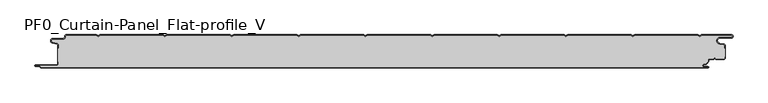
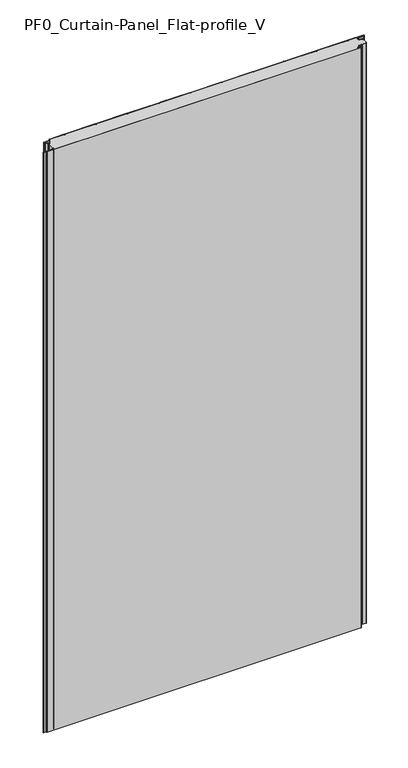
"""IFC4 building model written with IfcOpenShell, lengths in millimetres: plate geometry, PF0_Curtain-Panel_Flat-profile_V."""

from ifc_helpers import new_model, si_unit, point, frame, frame_2d, origin, origin_with_axes, place, context, project, spatial, polyline, circle_curve, trimmed, segment, composite_curve, outline, extrude, source, transform, mapped, element, save
from ifc_brep_helpers import plane_surface, cylinder_surface, revolved_surface, advanced_brep


def pf0_curtain_panel_flat_profile_v_40c15eda(model_context):
    return source(origin(), model_context, "Body", "SolidModel", [
        advanced_brep(
        [(-500.0, -15.878557, 1945.7507136), (-500.0, -20.0, 1945.7507136), (-499.2, -20.0, 1945.7507136), (-499.2, -15.878557, 1945.7507136), (-501.370137, -13.1503208, 1945.7507136), (-507.529863, -11.728236, 1945.7507136), (-506.9, -6.2, 1945.7507136), (-491.4, -6.2, 1945.7507136), (-488.6, -3.4, 1945.7507136), (-488.6, -2.0, 1945.7507136), (-487.4, -0.8, 1945.7507136), (-442.3143588, -0.8, 1945.7507136), (-439.4, -2.482606, 1945.7507136), (-436.4856412, -0.8, 1945.7507136), (-342.3143588, -0.8, 1945.7507136), (-339.4, -2.482606, 1945.7507136), (-336.4856412, -0.8, 1945.7507136), (-242.3143588, -0.8, 1945.7507136), (-239.4, -2.482606, 1945.7507136), (-236.4856412, -0.8, 1945.7507136), (-142.3143588, -0.8, 1945.7507136), (-139.4, -2.482606, 1945.7507136), (-136.4856412, -0.8, 1945.7507136), (-42.3143588, -0.8, 1945.7507136), (-39.4, -2.482606, 1945.7507136), (-36.4856412, -0.8, 1945.7507136), (57.6856412, -0.8, 1945.7507136), (60.6, -2.482606, 1945.7507136), (63.5143588, -0.8, 1945.7507136), (157.6856412, -0.8, 1945.7507136), (160.6, -2.482606, 1945.7507136), (163.5143588, -0.8, 1945.7507136), (257.6856412, -0.8, 1945.7507136), (260.6, -2.482606, 1945.7507136), (263.5143588, -0.8, 1945.7507136), (357.6856412, -0.8, 1945.7507136), (360.6, -2.482606, 1945.7507136), (363.5143588, -0.8, 1945.7507136), (457.6856412, -0.8, 1945.7507136), (460.6, -2.482606, 1945.7507136), (463.5143588, -0.8, 1945.7507136), (508.1, -0.8, 1945.7507136), (508.1, -4.2, 1945.7507136), (491.1, -4.2, 1945.7507136), (490.2664884, -13.7270771, 1945.7507136), (496.7125669, -14.8636953, 1945.7507136), (498.2, -16.6363492, 1945.7507136), (498.2, -20.0, 1945.7507136), (499.0, -20.0, 1945.7507136), (499.0, -16.6363492, 1945.7507136), (496.8514855, -14.0758491, 1945.7507136), (490.405407, -12.939231, 1945.7507136), (491.1, -5.0, 1945.7507136), (508.1, -5.0, 1945.7507136), (510.6, -2.5, 1945.7507136), (508.1, 0.0, 1945.7507136), (463.2999995, 0.0, 1945.7507136), (460.6, -1.5588455, 1945.7507136), (457.9000005, 0.0, 1945.7507136), (363.2999995, 0.0, 1945.7507136), (360.6, -1.5588455, 1945.7507136), (357.9000005, 0.0, 1945.7507136), (263.2999995, 0.0, 1945.7507136), (260.6, -1.5588455, 1945.7507136), (257.9000005, 0.0, 1945.7507136), (163.2999995, 0.0, 1945.7507136), (160.6, -1.5588455, 1945.7507136), (157.9000005, 0.0, 1945.7507136), (63.2999995, 0.0, 1945.7507136), (60.6, -1.5588455, 1945.7507136), (57.9000005, 0.0, 1945.7507136), (-36.7000005, 0.0, 1945.7507136), (-39.4, -1.5588455, 1945.7507136), (-42.0999995, 0.0, 1945.7507136), (-136.7000005, 0.0, 1945.7507136), (-139.4, -1.5588455, 1945.7507136), (-142.0999995, 0.0, 1945.7507136), (-236.7000005, 0.0, 1945.7507136), (-239.4, -1.5588455, 1945.7507136), (-242.0999995, 0.0, 1945.7507136), (-336.7000005, 0.0, 1945.7507136), (-339.4, -1.5588455, 1945.7507136), (-342.0999995, 0.0, 1945.7507136), (-436.7000005, 0.0, 1945.7507136), (-439.4, -1.5588455, 1945.7507136), (-442.0999995, 0.0, 1945.7507136), (-487.4, 0.0, 1945.7507136), (-489.4, -2.0, 1945.7507136), (-489.4, -3.4, 1945.7507136), (-491.4, -5.4, 1945.7507136), (-506.9, -5.4, 1945.7507136), (-507.7098239, -12.5077322, 1945.7507136), (-501.5500979, -13.929817, 1945.7507136), (-500.0, -15.878557, 0.0), (-501.5500978, -13.9298169, 0.0), (-507.7098239, -12.507732, 0.0), (-506.9, -5.4, 0.0), (-491.4, -5.4, 0.0), (-489.4, -3.4, 0.0), (-489.4, -2.0, 0.0), (-487.4, 0.0, 0.0), (-442.0999995, 0.0, 0.0), (-439.4, -1.5588455, 0.0), (-436.7000005, 0.0, 0.0), (-342.0999995, 0.0, 0.0), (-339.4, -1.5588455, 0.0), (-336.7000005, 0.0, 0.0), (-242.0999995, 0.0, 0.0), (-239.4, -1.5588455, 0.0), (-236.7000005, 0.0, 0.0), (-142.0999995, 0.0, 0.0), (-139.4, -1.5588455, 0.0), (-136.7000005, 0.0, 0.0), (-42.0999995, 0.0, 0.0), (-39.4, -1.5588455, 0.0), (-36.7000005, 0.0, 0.0), (57.9000005, 0.0, 0.0), (60.6, -1.5588455, 0.0), (63.2999995, 0.0, 0.0), (157.9000005, 0.0, 0.0), (160.6, -1.5588455, 0.0), (163.2999995, 0.0, 0.0), (257.9000005, 0.0, 0.0), (260.6, -1.5588455, 0.0), (263.2999995, 0.0, 0.0), (357.9000005, 0.0, 0.0), (360.6, -1.5588455, 0.0), (363.2999995, 0.0, 0.0), (457.9000005, 0.0, 0.0), (460.6, -1.5588455, 0.0), (463.2999995, 0.0, 0.0), (508.1, 0.0, 0.0), (510.6, -2.5, 0.0), (508.1, -5.0, 0.0), (491.1, -5.0, 0.0), (490.405407, -12.939231, 0.0), (496.8514855, -14.0758491, 0.0), (499.0, -16.6363492, 0.0), (499.0, -20.0, 0.0), (498.2, -20.0, 0.0), (498.2, -16.6363492, 0.0), (496.7125669, -14.8636953, 0.0), (490.2664884, -13.7270772, 0.0), (491.1, -4.2, 0.0), (508.1, -4.2, 0.0), (508.1, -0.8, 0.0), (463.5143588, -0.8, 0.0), (460.6, -2.482606, 0.0), (457.6856412, -0.8, 0.0), (363.5143588, -0.8, 0.0), (360.6, -2.482606, 0.0), (357.6856412, -0.8, 0.0), (263.5143588, -0.8, 0.0), (260.6, -2.482606, 0.0), (257.6856412, -0.8, 0.0), (163.5143588, -0.8, 0.0), (160.6, -2.482606, 0.0), (157.6856412, -0.8, 0.0), (63.5143588, -0.8, 0.0), (60.6, -2.482606, 0.0), (57.6856412, -0.8, 0.0), (-36.4856412, -0.8, 0.0), (-39.4, -2.482606, 0.0), (-42.3143588, -0.8, 0.0), (-136.4856412, -0.8, 0.0), (-139.4, -2.482606, 0.0), (-142.3143588, -0.8, 0.0), (-236.4856412, -0.8, 0.0), (-239.4, -2.482606, 0.0), (-242.3143588, -0.8, 0.0), (-336.4856412, -0.8, 0.0), (-339.4, -2.482606, 0.0), (-342.3143588, -0.8, 0.0), (-436.4856412, -0.8, 0.0), (-439.4, -2.482606, 0.0), (-442.3143588, -0.8, 0.0), (-487.4, -0.8, 0.0), (-488.6, -2.0, 0.0), (-488.6, -3.4, 0.0), (-491.4, -6.2, 0.0), (-506.9, -6.2, 0.0), (-507.529863, -11.7282362, 0.0), (-501.370137, -13.150321, 0.0), (-499.2, -15.878557, 0.0), (-499.2, -20.0, 0.0), (-500.0, -20.0, 0.0)],
        [
            (0, 1),
            (1, 2),
            (2, 3),
            (3, 4, circle_curve(frame((-502.0, -15.878557, 1945.7507136), z_axis=(0.0, 0.0, 1.0), x_axis=(1.0, 0.0, 0.0)), 2.8)),
            (4, 5),
            (5, 6, circle_curve(frame((-506.9, -9.0, 1945.7507136), z_axis=(0.0, 0.0, -1.0), x_axis=(1.0, 0.0, 0.0)), 2.8)),
            (6, 7),
            (7, 8, circle_curve(frame((-491.4, -3.4, 1945.7507136), z_axis=(0.0, 0.0, 1.0), x_axis=(1.0, 0.0, 0.0)), 2.8)),
            (8, 9),
            (9, 10, circle_curve(frame((-487.4, -2.0, 1945.7507136), z_axis=(0.0, 0.0, -1.0), x_axis=(1.0, 0.0, 0.0)), 1.2)),
            (10, 11),
            (11, 12),
            (12, 13),
            (13, 14),
            (14, 15),
            (15, 16),
            (16, 17),
            (17, 18),
            (18, 19),
            (19, 20),
            (20, 21),
            (21, 22),
            (22, 23),
            (23, 24),
            (24, 25),
            (25, 26),
            (26, 27),
            (27, 28),
            (28, 29),
            (29, 30),
            (30, 31),
            (31, 32),
            (32, 33),
            (33, 34),
            (34, 35),
            (35, 36),
            (36, 37),
            (37, 38),
            (38, 39),
            (39, 40),
            (40, 41),
            (41, 42, circle_curve(frame((508.1, -2.5, 1945.7507136), z_axis=(0.0, 0.0, -1.0), x_axis=(1.0, 0.0, 0.0)), 1.7)),
            (42, 43),
            (43, 44, circle_curve(frame((491.1, -9.0, 1945.7507136), z_axis=(0.0, 0.0, 1.0), x_axis=(1.0, 0.0, 0.0)), 4.8)),
            (44, 45),
            (45, 46, circle_curve(frame((496.4, -16.6363492, 1945.7507136), z_axis=(0.0, 0.0, -1.0), x_axis=(1.0, 0.0, 0.0)), 1.8)),
            (46, 47),
            (47, 48),
            (48, 49),
            (49, 50, circle_curve(frame((496.4, -16.6363492, 1945.7507136), z_axis=(0.0, 0.0, 1.0), x_axis=(1.0, 0.0, 0.0)), 2.6)),
            (50, 51),
            (51, 52, circle_curve(frame((491.1, -9.0, 1945.7507136), z_axis=(0.0, 0.0, -1.0), x_axis=(1.0, 0.0, 0.0)), 4.0)),
            (52, 53),
            (53, 54, circle_curve(frame((508.1, -2.5, 1945.7507136), z_axis=(0.0, 0.0, 1.0), x_axis=(1.0, 0.0, 0.0)), 2.5)),
            (54, 55, circle_curve(frame((508.1, -2.5, 1945.7507136), z_axis=(0.0, 0.0, 1.0), x_axis=(1.0, 0.0, 0.0)), 2.5)),
            (55, 56),
            (56, 57),
            (57, 58),
            (58, 59),
            (59, 60),
            (60, 61),
            (61, 62),
            (62, 63),
            (63, 64),
            (64, 65),
            (65, 66),
            (66, 67),
            (67, 68),
            (68, 69),
            (69, 70),
            (70, 71),
            (71, 72),
            (72, 73),
            (73, 74),
            (74, 75),
            (75, 76),
            (76, 77),
            (77, 78),
            (78, 79),
            (79, 80),
            (80, 81),
            (81, 82),
            (82, 83),
            (83, 84),
            (84, 85),
            (85, 86),
            (86, 87, circle_curve(frame((-487.4, -2.0, 1945.7507136), z_axis=(0.0, 0.0, 1.0), x_axis=(1.0, 0.0, 0.0)), 2.0)),
            (87, 88),
            (88, 89, circle_curve(frame((-491.4, -3.4, 1945.7507136), z_axis=(0.0, 0.0, -1.0), x_axis=(1.0, 0.0, 0.0)), 2.0)),
            (89, 90),
            (90, 91, circle_curve(frame((-506.9, -9.0, 1945.7507136), z_axis=(0.0, 0.0, 1.0), x_axis=(1.0, 0.0, 0.0)), 3.6)),
            (91, 92),
            (92, 0, circle_curve(frame((-502.0, -15.878557, 1945.7507136), z_axis=(0.0, 0.0, -1.0), x_axis=(1.0, 0.0, 0.0)), 2.0)),
            (93, 94, circle_curve(frame((-502.0, -15.878557, 0.0), z_axis=(0.0, 0.0, 1.0), x_axis=(1.0, 0.0, 0.0)), 2.0)),
            (94, 95),
            (95, 96, circle_curve(frame((-506.9, -9.0, 0.0), z_axis=(0.0, 0.0, -1.0), x_axis=(1.0, 0.0, 0.0)), 3.6)),
            (96, 97),
            (97, 98, circle_curve(frame((-491.4, -3.4, 0.0), z_axis=(0.0, 0.0, 1.0), x_axis=(1.0, 0.0, 0.0)), 2.0)),
            (98, 99),
            (99, 100, circle_curve(frame((-487.4, -2.0, 0.0), z_axis=(0.0, 0.0, -1.0), x_axis=(1.0, 0.0, 0.0)), 2.0)),
            (100, 101),
            (101, 102),
            (102, 103),
            (103, 104),
            (104, 105),
            (105, 106),
            (106, 107),
            (107, 108),
            (108, 109),
            (109, 110),
            (110, 111),
            (111, 112),
            (112, 113),
            (113, 114),
            (114, 115),
            (115, 116),
            (116, 117),
            (117, 118),
            (118, 119),
            (119, 120),
            (120, 121),
            (121, 122),
            (122, 123),
            (123, 124),
            (124, 125),
            (125, 126),
            (126, 127),
            (127, 128),
            (128, 129),
            (129, 130),
            (130, 131),
            (131, 132, circle_curve(frame((508.1, -2.5, 0.0), z_axis=(0.0, 0.0, -1.0), x_axis=(1.0, 0.0, 0.0)), 2.5)),
            (132, 133, circle_curve(frame((508.1, -2.5, 0.0), z_axis=(0.0, 0.0, -1.0), x_axis=(1.0, 0.0, 0.0)), 2.5)),
            (133, 134),
            (134, 135, circle_curve(frame((491.1, -9.0, 0.0), z_axis=(0.0, 0.0, 1.0), x_axis=(1.0, 0.0, 0.0)), 4.0)),
            (135, 136),
            (136, 137, circle_curve(frame((496.4, -16.6363492, 0.0), z_axis=(0.0, 0.0, -1.0), x_axis=(1.0, 0.0, 0.0)), 2.6)),
            (137, 138),
            (138, 139),
            (139, 140),
            (140, 141, circle_curve(frame((496.4, -16.6363492, 0.0), z_axis=(0.0, 0.0, 1.0), x_axis=(1.0, 0.0, 0.0)), 1.8)),
            (141, 142),
            (142, 143, circle_curve(frame((491.1, -9.0, 0.0), z_axis=(0.0, 0.0, -1.0), x_axis=(1.0, 0.0, 0.0)), 4.8)),
            (143, 144),
            (144, 145, circle_curve(frame((508.1, -2.5, 0.0), z_axis=(0.0, 0.0, 1.0), x_axis=(1.0, 0.0, 0.0)), 1.7)),
            (145, 146),
            (146, 147),
            (147, 148),
            (148, 149),
            (149, 150),
            (150, 151),
            (151, 152),
            (152, 153),
            (153, 154),
            (154, 155),
            (155, 156),
            (156, 157),
            (157, 158),
            (158, 159),
            (159, 160),
            (160, 161),
            (161, 162),
            (162, 163),
            (163, 164),
            (164, 165),
            (165, 166),
            (166, 167),
            (167, 168),
            (168, 169),
            (169, 170),
            (170, 171),
            (171, 172),
            (172, 173),
            (173, 174),
            (174, 175),
            (175, 176),
            (176, 177, circle_curve(frame((-487.4, -2.0, 0.0), z_axis=(0.0, 0.0, 1.0), x_axis=(1.0, 0.0, 0.0)), 1.2)),
            (177, 178),
            (178, 179, circle_curve(frame((-491.4, -3.4, 0.0), z_axis=(0.0, 0.0, -1.0), x_axis=(1.0, 0.0, 0.0)), 2.8)),
            (179, 180),
            (180, 181, circle_curve(frame((-506.9, -9.0, 0.0), z_axis=(0.0, 0.0, 1.0), x_axis=(1.0, 0.0, 0.0)), 2.8)),
            (181, 182),
            (182, 183, circle_curve(frame((-502.0, -15.878557, 0.0), z_axis=(0.0, 0.0, -1.0), x_axis=(1.0, 0.0, 0.0)), 2.8)),
            (183, 184),
            (184, 185),
            (185, 93),
            (0, 93),
            (185, 1),
            (184, 2),
            (183, 3),
            (182, 4),
            (181, 5),
            (180, 6),
            (179, 7),
            (178, 8),
            (177, 9),
            (176, 10),
            (175, 11),
            (174, 12),
            (173, 13),
            (172, 14),
            (171, 15),
            (170, 16),
            (169, 17),
            (168, 18),
            (167, 19),
            (166, 20),
            (165, 21),
            (164, 22),
            (163, 23),
            (162, 24),
            (161, 25),
            (160, 26),
            (159, 27),
            (158, 28),
            (157, 29),
            (156, 30),
            (155, 31),
            (154, 32),
            (153, 33),
            (152, 34),
            (151, 35),
            (150, 36),
            (149, 37),
            (148, 38),
            (147, 39),
            (146, 40),
            (145, 41),
            (144, 42),
            (143, 43),
            (142, 44),
            (141, 45),
            (140, 46),
            (139, 47),
            (138, 48),
            (137, 49),
            (136, 50),
            (135, 51),
            (134, 52),
            (133, 53),
            (131, 55),
            (56, 130),
            (129, 57),
            (128, 58),
            (127, 59),
            (126, 60),
            (125, 61),
            (124, 62),
            (123, 63),
            (122, 64),
            (121, 65),
            (120, 66),
            (119, 67),
            (118, 68),
            (117, 69),
            (116, 70),
            (115, 71),
            (114, 72),
            (113, 73),
            (112, 74),
            (111, 75),
            (110, 76),
            (109, 77),
            (108, 78),
            (107, 79),
            (106, 80),
            (105, 81),
            (104, 82),
            (103, 83),
            (102, 84),
            (101, 85),
            (100, 86),
            (99, 87),
            (98, 88),
            (97, 89),
            (96, 90),
            (95, 91),
            (94, 92),
        ],
        [
            plane_surface(frame((-500.0, 0.0, 1945.7507136), z_axis=(0.0, 0.0, 1.0), x_axis=(0.0, 1.0, 0.0))),
            plane_surface(frame((-500.0, 0.0, 0.0), z_axis=(0.0, 0.0, -1.0), x_axis=(0.0, 1.0, 0.0))),
            plane_surface(frame((-500.0, -15.878557, 1945.7507136), z_axis=(-1.0, 0.0, 0.0), x_axis=(0.0, 0.0, -1.0))),
            plane_surface(frame((-500.0, -20.0, 1945.7507136), z_axis=(0.0, -1.0, 0.0), x_axis=(0.0, 0.0, -1.0))),
            plane_surface(frame((-499.2, -20.0, 1945.7507136), z_axis=(1.0, 0.0, 0.0), x_axis=(0.0, 0.0, -1.0))),
            cylinder_surface(frame((-502.0, -15.878557, 1945.7507136), z_axis=(0.0, 0.0, 1.0), x_axis=(1.0, 0.0, 0.0)), 2.8),
            plane_surface(frame((-501.370137, -13.150321, 1945.7507136), z_axis=(0.22495108446242484, 0.9743700578318174, 0.0), x_axis=(0.0, 0.0, -1.0))),
            revolved_surface(polyline([(-504.09999999999997, -9.0, 0.0), (-504.09999999999997, -9.0, 1945.7507136)]), (-506.9, -9.0, 1945.7507136), (0.0, 0.0, -1.0)),
            plane_surface(frame((-506.9, -6.2, 1945.7507136), z_axis=(0.0, -1.0, 0.0), x_axis=(0.0, 0.0, -1.0))),
            cylinder_surface(frame((-491.4, -3.4, 1945.7507136), z_axis=(0.0, 0.0, 1.0), x_axis=(1.0, 0.0, 0.0)), 2.8),
            plane_surface(frame((-488.6, -3.4, 1945.7507136), z_axis=(1.0, 0.0, 0.0), x_axis=(0.0, 0.0, -1.0))),
            revolved_surface(polyline([(-486.2, -2.0, 0.0), (-486.2, -2.0, 1945.7507136)]), (-487.4, -2.0, 1945.7507136), (0.0, 0.0, -1.0)),
            plane_surface(frame((-487.4, -0.8, 1945.7507136), z_axis=(0.0, -1.0, 0.0), x_axis=(0.0, 0.0, -1.0))),
            plane_surface(frame((-442.3143588, -0.8, 1945.7507136), z_axis=(-0.5000000299313342, -0.8660253865035741, 0.0), x_axis=(0.0, 0.0, -1.0))),
            plane_surface(frame((-439.4, -2.482606, 1945.7507136), z_axis=(0.5000000299313233, -0.8660253865035805, 0.0), x_axis=(0.0, 0.0, -1.0))),
            plane_surface(frame((-436.4856412, -0.8, 1945.7507136), z_axis=(0.0, -1.0, 0.0), x_axis=(0.0, 0.0, -1.0))),
            plane_surface(frame((-342.3143588, -0.8, 1945.7507136), z_axis=(-0.5000000299313346, -0.8660253865035739, 0.0), x_axis=(0.0, 0.0, -1.0))),
            plane_surface(frame((-339.4, -2.482606, 1945.7507136), z_axis=(0.5000000299313251, -0.8660253865035794, 0.0), x_axis=(0.0, 0.0, -1.0))),
            plane_surface(frame((-336.4856412, -0.8, 1945.7507136), z_axis=(0.0, -1.0, 0.0), x_axis=(0.0, 0.0, -1.0))),
            plane_surface(frame((-242.3143588, -0.8, 1945.7507136), z_axis=(-0.5000000299313346, -0.866025386503574, 0.0), x_axis=(0.0, 0.0, -1.0))),
            plane_surface(frame((-239.4, -2.482606, 1945.7507136), z_axis=(0.5000000299313251, -0.8660253865035794, 0.0), x_axis=(0.0, 0.0, -1.0))),
            plane_surface(frame((-236.4856412, -0.8, 1945.7507136), z_axis=(0.0, -1.0, 0.0), x_axis=(0.0, 0.0, -1.0))),
            plane_surface(frame((-142.3143588, -0.8, 1945.7507136), z_axis=(-0.5000000299313349, -0.8660253865035739, 0.0), x_axis=(0.0, 0.0, -1.0))),
            plane_surface(frame((-139.4, -2.482606, 1945.7507136), z_axis=(0.5000000299313233, -0.8660253865035805, 0.0), x_axis=(0.0, 0.0, -1.0))),
            plane_surface(frame((-136.4856412, -0.8, 1945.7507136), z_axis=(0.0, -1.0, 0.0), x_axis=(0.0, 0.0, -1.0))),
            plane_surface(frame((-42.3143588, -0.8, 1945.7507136), z_axis=(-0.5000000299313346, -0.866025386503574, 0.0), x_axis=(0.0, 0.0, -1.0))),
            plane_surface(frame((-39.4, -2.482606, 1945.7507136), z_axis=(0.5000000299313239, -0.8660253865035802, 0.0), x_axis=(0.0, 0.0, -1.0))),
            plane_surface(frame((-36.4856412, -0.8, 1945.7507136), z_axis=(0.0, -1.0, 0.0), x_axis=(0.0, 0.0, -1.0))),
            plane_surface(frame((57.6856412, -0.8, 1945.7507136), z_axis=(-0.5000000299313347, -0.8660253865035739, 0.0), x_axis=(0.0, 0.0, -1.0))),
            plane_surface(frame((60.6, -2.482606, 1945.7507136), z_axis=(0.5000000299313232, -0.8660253865035805, 0.0), x_axis=(0.0, 0.0, -1.0))),
            plane_surface(frame((63.5143588, -0.8, 1945.7507136), z_axis=(0.0, -1.0, 0.0), x_axis=(0.0, 0.0, -1.0))),
            plane_surface(frame((157.6856412, -0.8, 1945.7507136), z_axis=(-0.5000000299313346, -0.866025386503574, 0.0), x_axis=(0.0, 0.0, -1.0))),
            plane_surface(frame((160.6, -2.482606, 1945.7507136), z_axis=(0.5000000299313262, -0.8660253865035787, 0.0), x_axis=(0.0, 0.0, -1.0))),
            plane_surface(frame((163.5143588, -0.8, 1945.7507136), z_axis=(0.0, -1.0, 0.0), x_axis=(0.0, 0.0, -1.0))),
            plane_surface(frame((257.6856412, -0.8, 1945.7507136), z_axis=(-0.5000000299313346, -0.8660253865035739, 0.0), x_axis=(0.0, 0.0, -1.0))),
            plane_surface(frame((260.6, -2.482606, 1945.7507136), z_axis=(0.5000000299313263, -0.8660253865035787, 0.0), x_axis=(0.0, 0.0, -1.0))),
            plane_surface(frame((263.5143588, -0.8, 1945.7507136), z_axis=(0.0, -1.0, 0.0), x_axis=(0.0, 0.0, -1.0))),
            plane_surface(frame((357.6856412, -0.8, 1945.7507136), z_axis=(-0.5000000299313346, -0.8660253865035739, 0.0), x_axis=(0.0, 0.0, -1.0))),
            plane_surface(frame((360.6, -2.482606, 1945.7507136), z_axis=(0.5000000299313255, -0.8660253865035792, 0.0), x_axis=(0.0, 0.0, -1.0))),
            plane_surface(frame((363.5143588, -0.8, 1945.7507136), z_axis=(0.0, -1.0, 0.0), x_axis=(0.0, 0.0, -1.0))),
            plane_surface(frame((457.6856412, -0.8, 1945.7507136), z_axis=(-0.5000000299313347, -0.8660253865035739, 0.0), x_axis=(0.0, 0.0, -1.0))),
            plane_surface(frame((460.6, -2.482606, 1945.7507136), z_axis=(0.5000000299313263, -0.8660253865035787, 0.0), x_axis=(0.0, 0.0, -1.0))),
            plane_surface(frame((463.5143588, -0.8, 1945.7507136), z_axis=(0.0, -1.0, 0.0), x_axis=(0.0, 0.0, -1.0))),
            revolved_surface(polyline([(509.8, -2.5, 0.0), (509.8, -2.5, 1945.7507136)]), (508.1, -2.5, 1945.7507136), (0.0, 0.0, -1.0)),
            plane_surface(frame((508.1, -4.2, 1945.7507136), z_axis=(0.0, 1.0, 0.0), x_axis=(0.0, 0.0, -1.0))),
            cylinder_surface(frame((491.1, -9.0, 1945.7507136), z_axis=(0.0, 0.0, 1.0), x_axis=(1.0, 0.0, 0.0)), 4.8),
            plane_surface(frame((490.2664884, -13.7270772, 1945.7507136), z_axis=(-0.17364825602592485, -0.9848077391954, 0.0), x_axis=(0.0, 0.0, -1.0))),
            revolved_surface(polyline([(498.2, -16.6363492, 0.0), (498.2, -16.6363492, 1945.7507136)]), (496.4, -16.6363492, 1945.7507136), (0.0, 0.0, -1.0)),
            plane_surface(frame((498.2, -16.6363492, 1945.7507136), z_axis=(-1.0, 0.0, 0.0), x_axis=(0.0, 0.0, -1.0))),
            plane_surface(frame((498.2, -20.0, 1945.7507136), z_axis=(0.0, -1.0, 0.0), x_axis=(0.0, 0.0, -1.0))),
            plane_surface(frame((499.0, -20.0, 1945.7507136), z_axis=(1.0, 0.0, 0.0), x_axis=(0.0, 0.0, -1.0))),
            cylinder_surface(frame((496.4, -16.6363492, 1945.7507136), z_axis=(0.0, 0.0, 1.0), x_axis=(1.0, 0.0, 0.0)), 2.6),
            plane_surface(frame((496.8514855, -14.0758491, 1945.7507136), z_axis=(0.1736482560259256, 0.9848077391953998, 0.0), x_axis=(0.0, 0.0, -1.0))),
            revolved_surface(polyline([(495.1, -9.0, 0.0), (495.1, -9.0, 1945.7507136)]), (491.1, -9.0, 1945.7507136), (0.0, 0.0, -1.0)),
            plane_surface(frame((491.1, -5.0, 1945.7507136), z_axis=(0.0, -1.0, 0.0), x_axis=(0.0, 0.0, -1.0))),
            cylinder_surface(frame((508.1, -2.5, 1945.7507136), z_axis=(0.0, 0.0, 1.0), x_axis=(1.0, 0.0, 0.0)), 2.5),
            plane_surface(frame((463.2999995, 0.0, 1945.7507136), z_axis=(-0.5000000299313235, 0.8660253865035803, 0.0), x_axis=(0.0, 0.0, -1.0))),
            plane_surface(frame((460.6, -1.5588455, 1945.7507136), z_axis=(0.5000000299313346, 0.8660253865035739, 0.0), x_axis=(0.0, 0.0, -1.0))),
            plane_surface(frame((457.9000005, 0.0, 1945.7507136), z_axis=(0.0, 1.0, 0.0), x_axis=(0.0, 0.0, -1.0))),
            plane_surface(frame((363.2999995, 0.0, 1945.7507136), z_axis=(-0.5000000299313235, 0.8660253865035803, 0.0), x_axis=(0.0, 0.0, -1.0))),
            plane_surface(frame((360.6, -1.5588455, 1945.7507136), z_axis=(0.5000000299313346, 0.8660253865035739, 0.0), x_axis=(0.0, 0.0, -1.0))),
            plane_surface(frame((357.9000005, 0.0, 1945.7507136), z_axis=(0.0, 1.0, 0.0), x_axis=(0.0, 0.0, -1.0))),
            plane_surface(frame((263.2999995, 0.0, 1945.7507136), z_axis=(-0.5000000299313235, 0.8660253865035803, 0.0), x_axis=(0.0, 0.0, -1.0))),
            plane_surface(frame((260.6, -1.5588455, 1945.7507136), z_axis=(0.5000000299313346, 0.8660253865035739, 0.0), x_axis=(0.0, 0.0, -1.0))),
            plane_surface(frame((257.9000005, 0.0, 1945.7507136), z_axis=(0.0, 1.0, 0.0), x_axis=(0.0, 0.0, -1.0))),
            plane_surface(frame((163.2999995, 0.0, 1945.7507136), z_axis=(-0.5000000299313235, 0.8660253865035803, 0.0), x_axis=(0.0, 0.0, -1.0))),
            plane_surface(frame((160.6, -1.5588455, 1945.7507136), z_axis=(0.5000000299313346, 0.8660253865035739, 0.0), x_axis=(0.0, 0.0, -1.0))),
            plane_surface(frame((157.9000005, 0.0, 1945.7507136), z_axis=(0.0, 1.0, 0.0), x_axis=(0.0, 0.0, -1.0))),
            plane_surface(frame((63.2999995, 0.0, 1945.7507136), z_axis=(-0.5000000299313235, 0.8660253865035803, 0.0), x_axis=(0.0, 0.0, -1.0))),
            plane_surface(frame((60.6, -1.5588455, 1945.7507136), z_axis=(0.5000000299313346, 0.8660253865035739, 0.0), x_axis=(0.0, 0.0, -1.0))),
            plane_surface(frame((57.9000005, 0.0, 1945.7507136), z_axis=(0.0, 1.0, 0.0), x_axis=(0.0, 0.0, -1.0))),
            plane_surface(frame((-36.7000005, 0.0, 1945.7507136), z_axis=(-0.5000000299313235, 0.8660253865035803, 0.0), x_axis=(0.0, 0.0, -1.0))),
            plane_surface(frame((-39.4, -1.5588455, 1945.7507136), z_axis=(0.5000000299313346, 0.8660253865035739, 0.0), x_axis=(0.0, 0.0, -1.0))),
            plane_surface(frame((-42.0999995, 0.0, 1945.7507136), z_axis=(0.0, 1.0, 0.0), x_axis=(0.0, 0.0, -1.0))),
            plane_surface(frame((-136.7000005, 0.0, 1945.7507136), z_axis=(-0.5000000299313235, 0.8660253865035803, 0.0), x_axis=(0.0, 0.0, -1.0))),
            plane_surface(frame((-139.4, -1.5588455, 1945.7507136), z_axis=(0.5000000299313346, 0.8660253865035739, 0.0), x_axis=(0.0, 0.0, -1.0))),
            plane_surface(frame((-142.0999995, 0.0, 1945.7507136), z_axis=(0.0, 1.0, 0.0), x_axis=(0.0, 0.0, -1.0))),
            plane_surface(frame((-236.7000005, 0.0, 1945.7507136), z_axis=(-0.5000000299313235, 0.8660253865035803, 0.0), x_axis=(0.0, 0.0, -1.0))),
            plane_surface(frame((-239.4, -1.5588455, 1945.7507136), z_axis=(0.5000000299313346, 0.8660253865035739, 0.0), x_axis=(0.0, 0.0, -1.0))),
            plane_surface(frame((-242.0999995, 0.0, 1945.7507136), z_axis=(0.0, 1.0, 0.0), x_axis=(0.0, 0.0, -1.0))),
            plane_surface(frame((-336.7000005, 0.0, 1945.7507136), z_axis=(-0.5000000299313235, 0.8660253865035803, 0.0), x_axis=(0.0, 0.0, -1.0))),
            plane_surface(frame((-339.4, -1.5588455, 1945.7507136), z_axis=(0.5000000299313346, 0.8660253865035739, 0.0), x_axis=(0.0, 0.0, -1.0))),
            plane_surface(frame((-342.0999995, 0.0, 1945.7507136), z_axis=(0.0, 1.0, 0.0), x_axis=(0.0, 0.0, -1.0))),
            plane_surface(frame((-436.7000005, 0.0, 1945.7507136), z_axis=(-0.5000000299313235, 0.8660253865035803, 0.0), x_axis=(0.0, 0.0, -1.0))),
            plane_surface(frame((-439.4, -1.5588455, 1945.7507136), z_axis=(0.5000000299313346, 0.8660253865035739, 0.0), x_axis=(0.0, 0.0, -1.0))),
            plane_surface(frame((-442.0999995, 0.0, 1945.7507136), z_axis=(0.0, 1.0, 0.0), x_axis=(0.0, 0.0, -1.0))),
            cylinder_surface(frame((-487.4, -2.0, 1945.7507136), z_axis=(0.0, 0.0, 1.0), x_axis=(1.0, 0.0, 0.0)), 2.0),
            plane_surface(frame((-489.4, -2.0, 1945.7507136), z_axis=(-1.0, 0.0, 0.0), x_axis=(0.0, 0.0, -1.0))),
            revolved_surface(polyline([(-489.4, -3.4, 0.0), (-489.4, -3.4, 1945.7507136)]), (-491.4, -3.4, 1945.7507136), (0.0, 0.0, -1.0)),
            plane_surface(frame((-491.4, -5.4, 1945.7507136), z_axis=(0.0, 1.0, 0.0), x_axis=(0.0, 0.0, -1.0))),
            cylinder_surface(frame((-506.9, -9.0, 1945.7507136), z_axis=(0.0, 0.0, 1.0), x_axis=(1.0, 0.0, 0.0)), 3.6),
            plane_surface(frame((-507.7098239, -12.507732, 1945.7507136), z_axis=(-0.22495108446242487, -0.9743700578318174, 0.0), x_axis=(0.0, 0.0, -1.0))),
            revolved_surface(polyline([(-500.0, -15.878557, 0.0), (-500.0, -15.878557, 1945.7507136)]), (-502.0, -15.878557, 1945.7507136), (0.0, 0.0, -1.0)),
            plane_surface(frame((508.1, 0.0, 1945.7507136), z_axis=(0.0, 1.0, 0.0), x_axis=(0.0, 0.0, -1.0))),
        ],
        [
            (0, [[1, 2, 3, 4, 5, 6, 7, 8, 9, 10, 11, 12, 13, 14, 15, 16, 17, 18, 19, 20, 21, 22, 23, 24, 25, 26, 27, 28, 29, 30, 31, 32, 33, 34, 35, 36, 37, 38, 39, 40, 41, 42, 43, 44, 45, 46, 47, 48, 49, 50, 51, 52, 53, 54, 55, 56, 57, 58, 59, 60, 61, 62, 63, 64, 65, 66, 67, 68, 69, 70, 71, 72, 73, 74, 75, 76, 77, 78, 79, 80, 81, 82, 83, 84, 85, 86, 87, 88, 89, 90, 91, 92, 93]]),
            (1, [[94, 95, 96, 97, 98, 99, 100, 101, 102, 103, 104, 105, 106, 107, 108, 109, 110, 111, 112, 113, 114, 115, 116, 117, 118, 119, 120, 121, 122, 123, 124, 125, 126, 127, 128, 129, 130, 131, 132, 133, 134, 135, 136, 137, 138, 139, 140, 141, 142, 143, 144, 145, 146, 147, 148, 149, 150, 151, 152, 153, 154, 155, 156, 157, 158, 159, 160, 161, 162, 163, 164, 165, 166, 167, 168, 169, 170, 171, 172, 173, 174, 175, 176, 177, 178, 179, 180, 181, 182, 183, 184, 185, 186]]),
            (2, [[-1, 187, -186, 188]]),
            (3, [[-2, -188, -185, 189]]),
            (4, [[-3, -189, -184, 190]]),
            (5, [[-4, -190, -183, 191]]),
            (6, [[-5, -191, -182, 192]]),
            (7, [[-6, -192, -181, 193]]),
            (8, [[-7, -193, -180, 194]]),
            (9, [[-8, -194, -179, 195]]),
            (10, [[-9, -195, -178, 196]]),
            (11, [[-10, -196, -177, 197]]),
            (12, [[-11, -197, -176, 198]]),
            (13, [[-12, -198, -175, 199]]),
            (14, [[-13, -199, -174, 200]]),
            (15, [[-14, -200, -173, 201]]),
            (16, [[-15, -201, -172, 202]]),
            (17, [[-16, -202, -171, 203]]),
            (18, [[-17, -203, -170, 204]]),
            (19, [[-18, -204, -169, 205]]),
            (20, [[-19, -205, -168, 206]]),
            (21, [[-20, -206, -167, 207]]),
            (22, [[-21, -207, -166, 208]]),
            (23, [[-22, -208, -165, 209]]),
            (24, [[-23, -209, -164, 210]]),
            (25, [[-24, -210, -163, 211]]),
            (26, [[-25, -211, -162, 212]]),
            (27, [[-26, -212, -161, 213]]),
            (28, [[-27, -213, -160, 214]]),
            (29, [[-28, -214, -159, 215]]),
            (30, [[-29, -215, -158, 216]]),
            (31, [[-30, -216, -157, 217]]),
            (32, [[-31, -217, -156, 218]]),
            (33, [[-32, -218, -155, 219]]),
            (34, [[-33, -219, -154, 220]]),
            (35, [[-34, -220, -153, 221]]),
            (36, [[-35, -221, -152, 222]]),
            (37, [[-36, -222, -151, 223]]),
            (38, [[-37, -223, -150, 224]]),
            (39, [[-38, -224, -149, 225]]),
            (40, [[-39, -225, -148, 226]]),
            (41, [[-40, -226, -147, 227]]),
            (42, [[-41, -227, -146, 228]]),
            (43, [[-42, -228, -145, 229]]),
            (44, [[-43, -229, -144, 230]]),
            (45, [[-44, -230, -143, 231]]),
            (46, [[-45, -231, -142, 232]]),
            (47, [[-46, -232, -141, 233]]),
            (48, [[-47, -233, -140, 234]]),
            (49, [[-48, -234, -139, 235]]),
            (50, [[-49, -235, -138, 236]]),
            (51, [[-50, -236, -137, 237]]),
            (52, [[-51, -237, -136, 238]]),
            (53, [[-52, -238, -135, 239]]),
            (54, [[-53, -239, -134, 240]]),
            (55, [[-240, -133, -132, 241, -55, -54]]),
            (56, [[-57, 242, -130, 243]]),
            (57, [[-58, -243, -129, 244]]),
            (58, [[-59, -244, -128, 245]]),
            (59, [[-60, -245, -127, 246]]),
            (60, [[-61, -246, -126, 247]]),
            (61, [[-62, -247, -125, 248]]),
            (62, [[-63, -248, -124, 249]]),
            (63, [[-64, -249, -123, 250]]),
            (64, [[-65, -250, -122, 251]]),
            (65, [[-66, -251, -121, 252]]),
            (66, [[-67, -252, -120, 253]]),
            (67, [[-68, -253, -119, 254]]),
            (68, [[-69, -254, -118, 255]]),
            (69, [[-70, -255, -117, 256]]),
            (70, [[-71, -256, -116, 257]]),
            (71, [[-72, -257, -115, 258]]),
            (72, [[-73, -258, -114, 259]]),
            (73, [[-74, -259, -113, 260]]),
            (74, [[-75, -260, -112, 261]]),
            (75, [[-76, -261, -111, 262]]),
            (76, [[-77, -262, -110, 263]]),
            (77, [[-78, -263, -109, 264]]),
            (78, [[-79, -264, -108, 265]]),
            (79, [[-80, -265, -107, 266]]),
            (80, [[-81, -266, -106, 267]]),
            (81, [[-82, -267, -105, 268]]),
            (82, [[-83, -268, -104, 269]]),
            (83, [[-84, -269, -103, 270]]),
            (84, [[-85, -270, -102, 271]]),
            (85, [[-86, -271, -101, 272]]),
            (86, [[-87, -272, -100, 273]]),
            (87, [[-88, -273, -99, 274]]),
            (88, [[-89, -274, -98, 275]]),
            (89, [[-90, -275, -97, 276]]),
            (90, [[-91, -276, -96, 277]]),
            (91, [[-92, -277, -95, 278]]),
            (92, [[-93, -278, -94, -187]]),
            (93, [[-56, -241, -131, -242]]),
        ],
    ),
        extrude(outline(composite_curve([segment(polyline([(-499.2, -40.0), (-500.0, -40.0), (-500.0, -20.0), (-499.2, -20.0), (-499.2, -15.878557)]), True, "CONTINUOUS"), segment(trimmed(circle_curve(frame_2d((-502.0, -15.878557)), 2.8), [point((-499.2, -15.878557))], [point((-501.370137, -13.1503208))], True, "CARTESIAN"), True, "CONTINUOUS"), segment(polyline([(-501.370137, -13.1503208), (-507.529863, -11.7282362)]), True, "CONTINUOUS"), segment(trimmed(circle_curve(frame_2d((-506.9, -9.0)), 2.8), [point((-507.529863, -11.7282362))], [point((-506.9, -6.2))], False, "CARTESIAN"), True, "CONTINUOUS"), segment(polyline([(-506.9, -6.2), (-491.4, -6.2)]), True, "CONTINUOUS"), segment(trimmed(circle_curve(frame_2d((-491.4, -3.4)), 2.8), [point((-491.4, -6.2))], [point((-488.6, -3.4))], True, "CARTESIAN"), True, "CONTINUOUS"), segment(polyline([(-488.6, -3.4), (-488.6, -2.0)]), True, "CONTINUOUS"), segment(trimmed(circle_curve(frame_2d((-487.4, -2.0)), 1.2), [point((-488.6, -2.0))], [point((-487.4, -0.8))], False, "CARTESIAN"), True, "CONTINUOUS"), segment(polyline([(-487.4, -0.8), (-442.3143588, -0.8), (-439.4, -2.482606), (-436.4856412, -0.8), (-342.3143588, -0.8), (-339.4, -2.482606), (-336.4856412, -0.8), (-242.3143588, -0.8), (-239.4, -2.482606), (-236.4856412, -0.8), (-142.3143588, -0.8), (-139.4, -2.482606), (-136.4856412, -0.8), (-42.3143588, -0.8), (-39.4, -2.482606), (-36.4856412, -0.8), (57.6856412, -0.8), (60.6, -2.482606), (63.5143588, -0.8), (157.6856412, -0.8), (160.6, -2.482606), (163.5143588, -0.8), (257.6856412, -0.8), (260.6, -2.482606), (263.5143588, -0.8), (357.6856412, -0.8), (360.6, -2.482606), (363.5143588, -0.8), (457.6856412, -0.8), (460.6, -2.482606), (463.5143588, -0.8), (508.1, -0.8)]), True, "CONTINUOUS"), segment(trimmed(circle_curve(frame_2d((508.1, -2.5)), 1.7), [point((508.1, -0.8))], [point((508.1, -4.2))], False, "CARTESIAN"), True, "CONTINUOUS"), segment(polyline([(508.1, -4.2), (491.1, -4.2)]), True, "CONTINUOUS"), segment(trimmed(circle_curve(frame_2d((491.1, -9.0)), 4.8), [point((491.1, -4.2))], [point((490.2664884, -13.7270772))], True, "CARTESIAN"), True, "CONTINUOUS"), segment(polyline([(490.2664884, -13.7270772), (496.7125669, -14.8636953)]), True, "CONTINUOUS"), segment(trimmed(circle_curve(frame_2d((496.4, -16.6363492)), 1.8), [point((496.7125669, -14.8636953))], [point((498.2, -16.6363492))], False, "CARTESIAN"), True, "CONTINUOUS"), segment(polyline([(498.2, -16.6363492), (498.2, -20.0), (499.0, -20.0), (499.0, -33.0), (498.2, -33.0), (498.2, -34.4)]), True, "CONTINUOUS"), segment(trimmed(circle_curve(frame_2d((496.4, -34.4)), 1.8), [point((498.2, -34.4))], [point((496.4, -36.2))], False, "CARTESIAN"), True, "CONTINUOUS"), segment(polyline([(496.4, -36.2), (484.8313698, -36.2), (483.0, -34.3686285), (481.1686302, -36.2), (475.0, -36.2)]), True, "CONTINUOUS"), segment(trimmed(circle_curve(frame_2d((475.0, -38.0)), 1.8), [point((475.0, -36.2))], [point((473.2, -38.0))], True, "CARTESIAN"), True, "CONTINUOUS"), segment(polyline([(473.2, -38.0), (473.2, -38.8276204)]), True, "CONTINUOUS"), segment(trimmed(circle_curve(frame_2d((467.8276204, -38.8276204)), 5.3723796), [point((473.2, -38.8276204))], [point((467.8276204, -44.2))], False, "CARTESIAN"), True, "CONTINUOUS"), segment(polyline([(467.8276204, -44.2), (467.0, -44.2)]), True, "CONTINUOUS"), segment(trimmed(circle_curve(frame_2d((467.0, -46.4)), 2.2), [point((467.0, -44.2))], [point((467.0, -48.6))], True, "CARTESIAN"), True, "CONTINUOUS"), segment(polyline([(467.0, -48.6), (472.8891513, -48.6)]), True, "CONTINUOUS"), segment(trimmed(circle_curve(frame_2d((472.8891513, -48.9)), 0.3), [point((472.8891513, -48.6))], [point((472.8891513, -49.2))], False, "CARTESIAN"), True, "CONTINUOUS"), segment(polyline([(472.8891513, -49.2), (-524.4, -49.2)]), True, "CONTINUOUS"), segment(trimmed(circle_curve(frame_2d((-524.4, -48.4)), 0.8), [point((-524.4, -49.2))], [point((-525.2, -48.4))], False, "CARTESIAN"), True, "CONTINUOUS"), segment(trimmed(circle_curve(frame_2d((-526.9, -48.6133333)), 1.7133333), [point((-525.2, -48.4))], [point((-526.9, -46.9))], True, "CARTESIAN"), True, "CONTINUOUS"), segment(polyline([(-526.9, -46.9), (-532.8700312, -46.9)]), True, "CONTINUOUS"), segment(trimmed(circle_curve(frame_2d((-532.8700312, -46.6)), 0.3), [point((-532.8700312, -46.9))], [point((-532.8700312, -46.3))], False, "CARTESIAN"), True, "CONTINUOUS"), segment(polyline([(-532.8700312, -46.3), (-502.0, -46.3)]), True, "CONTINUOUS"), segment(trimmed(circle_curve(frame_2d((-502.0, -43.5)), 2.8), [point((-502.0, -46.3))], [point((-499.2, -43.5))], True, "CARTESIAN"), True, "CONTINUOUS"), segment(polyline([(-499.2, -43.5), (-499.2, -40.0)]), True, "CONTINUOUS")], self_intersect=False)), origin_with_axes(), (0.0, 0.0, 1.0), 1945.7507136),
        extrude(outline(composite_curve([segment(polyline([(-500.0, -40.0), (-499.2, -40.0), (-499.2, -43.5)]), True, "CONTINUOUS"), segment(trimmed(circle_curve(frame_2d((-502.0, -43.5)), 2.8), [point((-499.2, -43.5))], [point((-502.0, -46.3))], False, "CARTESIAN"), True, "CONTINUOUS"), segment(polyline([(-502.0, -46.3), (-532.8700312, -46.3)]), True, "CONTINUOUS"), segment(trimmed(circle_curve(frame_2d((-532.8700312, -46.6)), 0.3), [point((-532.8700312, -46.3))], [point((-532.8700312, -46.9))], True, "CARTESIAN"), True, "CONTINUOUS"), segment(polyline([(-532.8700312, -46.9), (-526.9, -46.9)]), True, "CONTINUOUS"), segment(trimmed(circle_curve(frame_2d((-526.9, -48.6133333)), 1.7133333), [point((-526.9, -46.9))], [point((-525.2, -48.4))], False, "CARTESIAN"), True, "CONTINUOUS"), segment(trimmed(circle_curve(frame_2d((-524.4, -48.4)), 0.8), [point((-525.2, -48.4))], [point((-524.4, -49.2))], True, "CARTESIAN"), True, "CONTINUOUS"), segment(polyline([(-524.4, -49.2), (472.8891513, -49.2)]), True, "CONTINUOUS"), segment(trimmed(circle_curve(frame_2d((472.8891513, -48.9)), 0.3), [point((472.8891513, -49.2))], [point((472.8891513, -48.6))], True, "CARTESIAN"), True, "CONTINUOUS"), segment(polyline([(472.8891513, -48.6), (467.0, -48.6)]), True, "CONTINUOUS"), segment(trimmed(circle_curve(frame_2d((467.0, -46.4)), 2.2), [point((467.0, -48.6))], [point((467.0, -44.2))], False, "CARTESIAN"), True, "CONTINUOUS"), segment(polyline([(467.0, -44.2), (467.8276204, -44.2)]), True, "CONTINUOUS"), segment(trimmed(circle_curve(frame_2d((467.8276204, -38.8276204)), 5.3723796), [point((467.8276204, -44.2))], [point((473.2, -38.8276204))], True, "CARTESIAN"), True, "CONTINUOUS"), segment(polyline([(473.2, -38.8276204), (473.2, -38.0)]), True, "CONTINUOUS"), segment(trimmed(circle_curve(frame_2d((475.0, -38.0)), 1.8), [point((473.2, -38.0))], [point((475.0, -36.2))], False, "CARTESIAN"), True, "CONTINUOUS"), segment(polyline([(475.0, -36.2), (481.1686302, -36.2), (483.0, -34.3686285), (484.8313698, -36.2), (496.4, -36.2)]), True, "CONTINUOUS"), segment(trimmed(circle_curve(frame_2d((496.4, -34.4)), 1.8), [point((496.4, -36.2))], [point((498.2, -34.4))], True, "CARTESIAN"), True, "CONTINUOUS"), segment(polyline([(498.2, -34.4), (498.2, -33.0), (499.0, -33.0), (499.0, -34.4)]), True, "CONTINUOUS"), segment(trimmed(circle_curve(frame_2d((496.4, -34.4)), 2.6), [point((499.0, -34.4))], [point((496.4, -37.0))], False, "CARTESIAN"), True, "CONTINUOUS"), segment(polyline([(496.4, -37.0), (484.4999988, -37.0), (483.0, -35.4999999), (481.5000012, -37.0), (475.0, -37.0)]), True, "CONTINUOUS"), segment(trimmed(circle_curve(frame_2d((475.0, -38.0)), 1.0), [point((475.0, -37.0))], [point((474.0, -38.0))], True, "CARTESIAN"), True, "CONTINUOUS"), segment(polyline([(474.0, -38.0), (474.0, -38.8276204)]), True, "CONTINUOUS"), segment(trimmed(circle_curve(frame_2d((467.8276204, -38.8276204)), 6.1723796), [point((474.0, -38.8276204))], [point((467.8276204, -45.0))], False, "CARTESIAN"), True, "CONTINUOUS"), segment(polyline([(467.8276204, -45.0), (467.0, -45.0)]), True, "CONTINUOUS"), segment(trimmed(circle_curve(frame_2d((467.0, -46.5)), 1.5), [point((467.0, -45.0))], [point((467.0, -48.0))], True, "CARTESIAN"), True, "CONTINUOUS"), segment(polyline([(467.0, -48.0), (473.0, -48.0)]), True, "CONTINUOUS"), segment(trimmed(circle_curve(frame_2d((473.0, -49.0)), 1.0), [point((473.0, -48.0))], [point((473.0, -50.0))], False, "CARTESIAN"), True, "CONTINUOUS"), segment(polyline([(473.0, -50.0), (-524.4, -50.0)]), True, "CONTINUOUS"), segment(trimmed(circle_curve(frame_2d((-524.4, -48.4)), 1.6), [point((-524.4, -50.0))], [point((-526.0, -48.4))], False, "CARTESIAN"), True, "CONTINUOUS"), segment(trimmed(circle_curve(frame_2d((-526.9, -48.4)), 0.9), [point((-526.0, -48.4))], [point((-526.9, -47.5))], True, "CARTESIAN"), True, "CONTINUOUS"), segment(polyline([(-526.9, -47.5), (-533.0, -47.5)]), True, "CONTINUOUS"), segment(trimmed(circle_curve(frame_2d((-533.0, -46.5)), 1.0), [point((-533.0, -47.5))], [point((-533.0, -45.5))], False, "CARTESIAN"), True, "CONTINUOUS"), segment(polyline([(-533.0, -45.5), (-502.0, -45.5)]), True, "CONTINUOUS"), segment(trimmed(circle_curve(frame_2d((-502.0, -43.5)), 2.0), [point((-502.0, -45.5))], [point((-500.0, -43.5))], True, "CARTESIAN"), True, "CONTINUOUS"), segment(polyline([(-500.0, -43.5), (-500.0, -40.0)]), True, "CONTINUOUS")], self_intersect=False)), origin_with_axes(), (0.0, 0.0, 1.0), 1945.7507136),
    ])


if __name__ == "__main__":
    model = new_model("IFC4")
    model_context = context("Model", 3, world=origin())
    ifc_project = project(units=[si_unit("LENGTHUNIT", "METRE", prefix="MILLI")], contexts=[model_context])
    site = spatial("IfcSite", under=ifc_project)
    building = spatial("IfcBuilding", under=site)
    placement = place(None, origin())
    pf0_curtain_panel_flat_profile_v_shape = pf0_curtain_panel_flat_profile_v_40c15eda(model_context)
    element("IfcPlate", 1, ObjectType="PF0_Curtain-Panel_Flat-profile_V", at=placement, inside=building, context=model_context, shape_type="MappedRepresentation", body=[
        mapped(pf0_curtain_panel_flat_profile_v_shape, transform((0.0, 0.0, 0.0), x_axis=(1.0, 0.0, 0.0), y_axis=(0.0, 1.0, 0.0), z_axis=(0.0, 0.0, 1.0))),
    ])
    save(model, "model.ifc")
